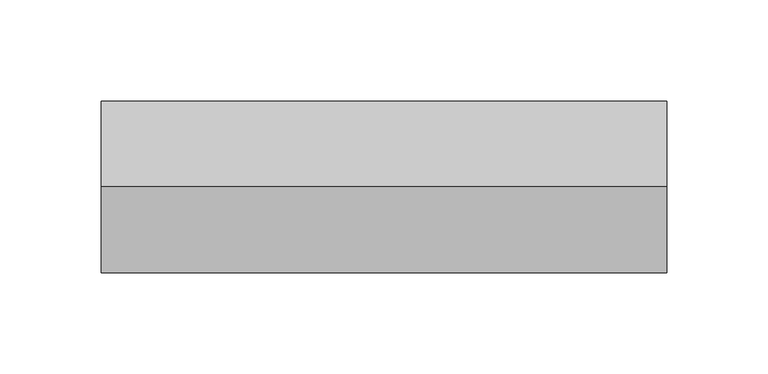
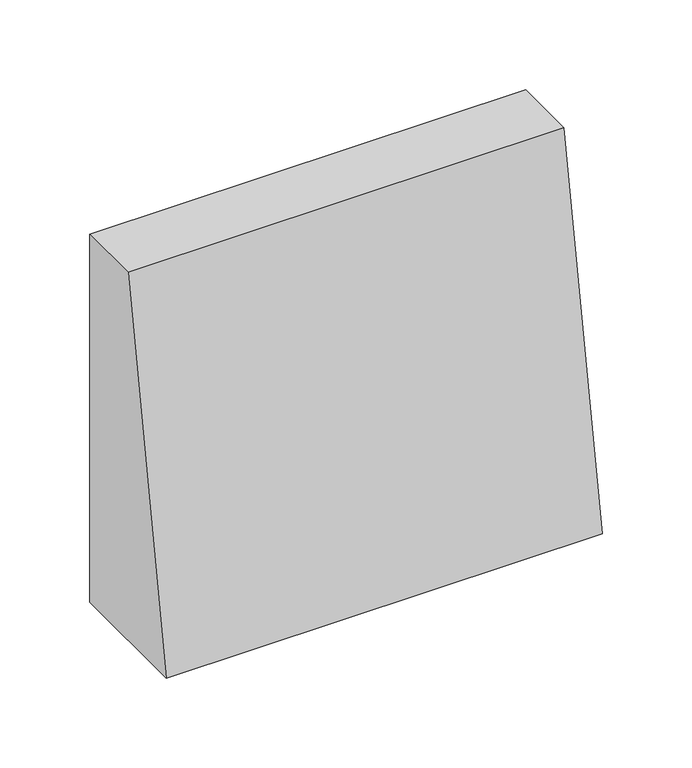
"""IFC4 building model written with IfcOpenShell, lengths in millimetres: light fixture geometry."""

from ifc_helpers import new_model, si_unit, frame, origin, place, context, project, spatial, polyline, outline, extrude, faceted_brep, source, transform, mapped, element, save


def light_fixture_c3d5d754(model_context):
    return source(origin(), model_context, "Body", "SolidModel", [
        faceted_brep([(-15.0, 0.0, 2050.0), (-15.0, 0.0, 1800.0), (-15.0, -85.0, 1800.0), (-15.0, -42.5, 2050.0), (265.0, -42.5, 2050.0), (265.0, -85.0, 1800.0), (265.0, 0.0, 1800.0), (265.0, 0.0, 2050.0), (-5.0, -75.0, 1800.0), (-5.0, -10.0, 1800.0), (-5.0, -10.0, 2040.0), (-5.0, -34.2, 2040.0), (255.0, -34.2, 2040.0), (255.0, -75.0, 1800.0), (255.0, -10.0, 2040.0), (255.0, -10.0, 1800.0)], [[[0, 1, 2, 3]], [[4, 5, 6, 7]], [[3, 2, 5, 4]], [[8, 9, 10, 11]], [[8, 11, 12, 13]], [[13, 12, 14, 15]], [[0, 7, 6, 1]], [[6, 5, 2, 1], [9, 8, 13, 15]], [[15, 14, 10, 9]], [[14, 12, 11, 10]], [[0, 3, 4, 7]]]),
        extrude(outline(polyline([(-5.0, -10.0), (255.0, -10.0), (255.0, -75.0), (-5.0, -75.0), (-5.0, -10.0)])), frame((0.0, 0.0, 1800.0), z_axis=(0.0, 0.0, 1.0), x_axis=(1.0, 0.0, 0.0)), (0.0, 0.0, 1.0), 5.0),
    ])


if __name__ == "__main__":
    model = new_model("IFC4")
    model_context = context("Model", 3, world=origin())
    ifc_project = project(units=[si_unit("LENGTHUNIT", "METRE", prefix="MILLI")], contexts=[model_context])
    site = spatial("IfcSite", under=ifc_project)
    building = spatial("IfcBuilding", under=site)
    placement = place(None, origin())
    light_fixture_shape = light_fixture_c3d5d754(model_context)
    element("IfcLightFixture", 1, at=placement, inside=building, context=model_context, shape_type="MappedRepresentation", body=[
        mapped(light_fixture_shape, transform((0.0, 0.0, 0.0), x_axis=(1.0, 0.0, 0.0), y_axis=(0.0, 1.0, 0.0), z_axis=(0.0, 0.0, 1.0))),
    ])
    save(model, "model.ifc")
